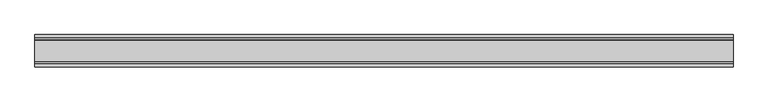
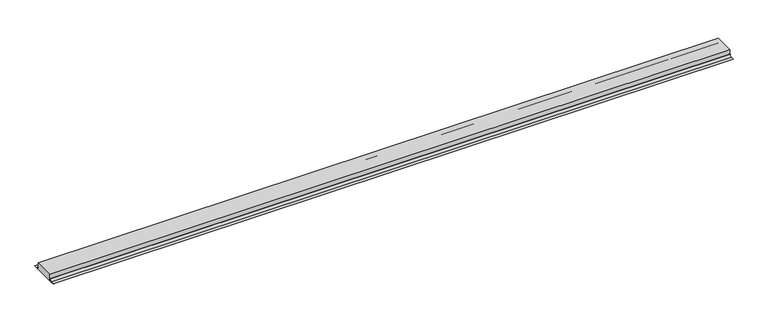
"""IFC4 building model written with IfcOpenShell, lengths in millimetres: proxy geometry."""

from ifc_helpers import new_model, si_unit, point, frame, frame_2d, origin, place, context, project, spatial, polyline, circle_curve, trimmed, segment, composite_curve, outline, extrude, source, transform, mapped, element, save
from ifc_brep_helpers import plane_surface, revolved_surface, advanced_brep


def generic_models_4dd8c8b1(model_context):
    return source(origin(), model_context, "Body", "SolidModel", [
        advanced_brep(
        [(1587.3395579, -12843.1530581, 1426.3899251), (1587.3395579, -12835.3288846, 1434.2140986), (1587.3395579, -12835.3288846, 1450.0484763), (1587.3395579, -12763.2069939, 1450.0484763), (1587.3395579, -12763.2069939, 1434.2140986), (1587.3395579, -12755.3828204, 1426.3899251), (3987.3395579, -12843.1530581, 1426.3887139), (3987.3395579, -12755.3828204, 1426.3887139), (3987.3395579, -12763.2069939, 1434.2140986), (3987.3395579, -12763.2069939, 1450.0484763), (3987.3395579, -12835.3288846, 1450.0484763), (3987.3395579, -12835.3288846, 1434.2140986)],
        [
            (0, 1, circle_curve(frame((1587.3395579, -12843.1530581, 1434.2140986), z_axis=(1.0, 0.0, 0.0), x_axis=(0.0, 0.0, -1.0)), 7.8241735)),
            (1, 2),
            (2, 3),
            (3, 4),
            (4, 5, circle_curve(frame((1587.3395579, -12755.3828204, 1434.2140986), z_axis=(1.0, 0.0, 0.0), x_axis=(0.0, 0.0, -1.0)), 7.8241735)),
            (5, 0),
            (6, 7),
            (7, 8, circle_curve(frame((3987.3395579, -12755.3828204, 1434.2140986), z_axis=(-1.0, 0.0, 0.0), x_axis=(0.0, 0.0, -1.0)), 7.8241735)),
            (8, 9),
            (9, 10),
            (10, 11),
            (11, 6, circle_curve(frame((3987.3395579, -12843.1530581, 1434.2140986), z_axis=(-1.0, 0.0, 0.0), x_axis=(0.0, 0.0, -1.0)), 7.8241735)),
            (2, 10),
            (9, 3),
            (5, 7),
            (6, 0),
            (8, 4),
            (11, 1),
        ],
        [
            plane_surface(frame((1587.3395579, -11143.8849673, 1476.3887139), z_axis=(-1.0, 0.0, 0.0), x_axis=(0.0, -1.0, 0.0))),
            plane_surface(frame((3987.3395579, -11143.8849673, 1476.3887139), z_axis=(1.0, 0.0, 0.0), x_axis=(0.0, -1.0, 0.0))),
            plane_surface(frame((1587.3395579, -12835.3288846, 1450.0484763), z_axis=(0.0, 0.0, 1.0), x_axis=(1.0, 0.0, 0.0))),
            plane_surface(frame((1587.3395579, -12755.3828204, 1426.3887139), z_axis=(0.0, 0.0, -1.0), x_axis=(1.0, 0.0, 0.0))),
            plane_surface(frame((1587.3395579, -12763.2069939, 1450.0484763), z_axis=(0.0, 1.0, 0.0), x_axis=(1.0, 0.0, 0.0))),
            revolved_surface(polyline([(3987.3395579, -12755.3828204, 1426.3899251), (1587.3395579, -12755.3828204, 1426.3899251)]), (1587.3395579, -12755.3828204, 1434.2140986), (1.0, 0.0, 0.0)),
            revolved_surface(polyline([(3987.3395579, -12843.1530581, 1426.3899251), (1587.3395579, -12843.1530581, 1426.3899251)]), (1587.3395579, -12843.1530581, 1434.2140986), (1.0, 0.0, 0.0)),
            plane_surface(frame((1587.3395579, -12835.3288846, 1434.2140986), z_axis=(0.0, -1.0, 0.0), x_axis=(1.0, 0.0, 0.0))),
        ],
        [
            (0, [[1, 2, 3, 4, 5, 6]]),
            (1, [[7, 8, 9, 10, 11, 12]]),
            (2, [[-3, 13, -10, 14]]),
            (3, [[-6, 15, -7, 16]]),
            (4, [[-4, -14, -9, 17]]),
            (5, [[-5, -17, -8, -15]]),
            (6, [[-1, -16, -12, 18]]),
            (7, [[-2, -18, -11, -13]]),
        ],
    ),
        extrude(outline(composite_curve([segment(polyline([(-12843.1542693, 1426.3887139), (-12854.8825849, 1426.3887139), (-12854.8825849, 1427.3887139), (-12843.1542693, 1427.3887139)]), True, "CONTINUOUS"), segment(trimmed(circle_curve(frame_2d((-12843.1542693, 1434.2140986)), 6.8253847), [point((-12843.1542693, 1427.3887139))], [point((-12836.3288846, 1434.2140986))], True, "CARTESIAN"), True, "CONTINUOUS"), segment(polyline([(-12836.3288846, 1434.2140986), (-12835.3288846, 1434.2140986)]), True, "CONTINUOUS"), segment(trimmed(circle_curve(frame_2d((-12843.1542693, 1434.2140986)), 7.8253847), [point((-12835.3288846, 1434.2140986))], [point((-12843.1542693, 1426.3887139))], False, "CARTESIAN"), True, "CONTINUOUS")], self_intersect=False)), frame((1587.3395579, 0.0, 0.0), z_axis=(1.0, 0.0, 0.0), x_axis=(0.0, 1.0, 0.0)), (0.0, 0.0, 1.0), 2400.0),
        extrude(outline(composite_curve([segment(trimmed(circle_curve(frame_2d((-12755.5180932, 1434.2140986)), 7.8253847), [point((-12755.5180932, 1426.3887139))], [point((-12763.3434779, 1434.2140986))], False, "CARTESIAN"), True, "CONTINUOUS"), segment(polyline([(-12763.3434779, 1434.2140986), (-12762.3434779, 1434.2140986)]), True, "CONTINUOUS"), segment(trimmed(circle_curve(frame_2d((-12755.5180932, 1434.2140986)), 6.8253847), [point((-12762.3434779, 1434.2140986))], [point((-12755.5180932, 1427.3887139))], True, "CARTESIAN"), True, "CONTINUOUS"), segment(polyline([(-12755.5180932, 1427.3887139), (-12743.7897776, 1427.3887139), (-12743.7897776, 1426.3887139), (-12755.5180932, 1426.3887139)]), True, "CONTINUOUS")], self_intersect=False)), frame((1587.3395579, 0.0, 0.0), z_axis=(1.0, 0.0, 0.0), x_axis=(0.0, 1.0, 0.0)), (0.0, 0.0, 1.0), 2400.0),
    ])


if __name__ == "__main__":
    model = new_model("IFC4")
    model_context = context("Model", 3, world=origin())
    ifc_project = project(units=[si_unit("LENGTHUNIT", "METRE", prefix="MILLI")], contexts=[model_context])
    site = spatial("IfcSite", under=ifc_project)
    building = spatial("IfcBuilding", under=site)
    placement = place(None, origin())
    generic_models_shape = generic_models_4dd8c8b1(model_context)
    element("IfcBuildingElementProxy", 1, Name="Generic Models", at=placement, inside=building, context=model_context, shape_type="MappedRepresentation", body=[
        mapped(generic_models_shape, transform((0.0, 0.0, 0.0), x_axis=(1.0, 0.0, 0.0), y_axis=(0.0, 1.0, 0.0), z_axis=(0.0, 0.0, 1.0))),
    ])
    save(model, "model.ifc")
